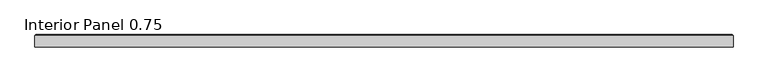
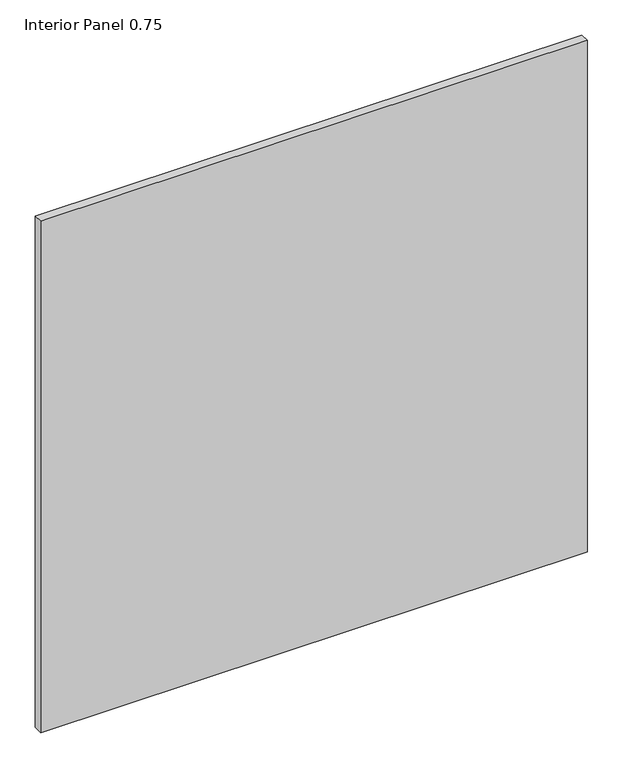
"""IFC4 building model written with IfcOpenShell, lengths in millimetres: proxy geometry, Interior Panel 0.75."""

import ifcopenshell
import ifcopenshell.guid

model = None  # the IFC model being written
_history = None  # IfcOwnerHistory: only IFC2X3 demands one
_inside = {}  # id of a spatial element -> (the spatial element, [elements in it])
_under = {}  # id of a project, library or spatial element -> (it, [spatial elements below it])
_declared = {}  # id of a project -> (the project, [libraries it declares])
_typed = {}  # id of a type object -> (the type object, [elements of that type])
_made_of = {}  # id of a material, layer set ... -> (it, [elements and type objects made of it])


def new_model(schema):
    """Start an empty IFC model of exactly this schema.

    Asked for "IFC4X3", IfcOpenShell would pick the latest addendum, in which some entities
    have other attributes; the version numbers below select the first issue.
    IFC2X3 requires an IfcOwnerHistory on every rooted entity: one is made here for all.
    """
    global model, _history
    if schema == "IFC4X3":
        model = ifcopenshell.file(schema_version=(4, 3, 0, 0))
    else:
        model = ifcopenshell.file(schema=schema)
    _inside.clear()
    _under.clear()
    _declared.clear()
    _typed.clear()
    _made_of.clear()
    _history = None
    if model.schema == "IFC2X3":
        org = make("IfcOrganization", Name="unknown")
        user = make(
            "IfcPersonAndOrganization",
            ThePerson=make("IfcPerson", FamilyName="unknown"),
            TheOrganization=org,
        )
        app = make(
            "IfcApplication",
            ApplicationDeveloper=org,
            Version="unknown",
            ApplicationFullName="unknown",
            ApplicationIdentifier="unknown",
        )
        _history = make(
            "IfcOwnerHistory",
            OwningUser=user,
            OwningApplication=app,
            ChangeAction="ADDED",
            CreationDate=0,
        )
    return model


def make(cls, **values):
    """One entity of the class cls with the attributes given. An attribute that is None is left unset."""
    return model.create_entity(
        cls, **{name: value for name, value in values.items() if value is not None}
    )


def rooted(cls, **values):
    """An entity with a GlobalId (a new one), such as an element, a storey or a relation."""
    return make(cls, GlobalId=ifcopenshell.guid.new(), OwnerHistory=_history, **values)


def si_unit(unit_type, name, prefix=None):
    """IfcSIUnit, for example si_unit("LENGTHUNIT", "METRE", prefix="MILLI")."""
    return make("IfcSIUnit", UnitType=unit_type, Prefix=prefix, Name=name)


def assignment(units):
    """IfcUnitAssignment: the units of a project."""
    return None if units is None else make("IfcUnitAssignment", Units=units)


def point(xyz):
    """IfcCartesianPoint."""
    return None if xyz is None else make("IfcCartesianPoint", Coordinates=xyz)


def direction(xyz):
    """IfcDirection."""
    return None if xyz is None else make("IfcDirection", DirectionRatios=xyz)


def frame(location, z_axis=None, x_axis=None):
    """IfcAxis2Placement3D, a coordinate frame: its origin and axes. An axis left out is left unset."""
    return make(
        "IfcAxis2Placement3D",
        Location=point(location),
        Axis=direction(z_axis),
        RefDirection=direction(x_axis),
    )


def origin():
    """The frame at (0, 0, 0) with its axes left unset."""
    return frame((0.0, 0.0, 0.0))


def place(relative_to, where):
    """IfcLocalPlacement: puts the frame where relative to a parent placement (None: the world)."""
    return make(
        "IfcLocalPlacement", PlacementRelTo=relative_to, RelativePlacement=where
    )


def context(
    kind, dimensions, precision=None, world=None, true_north=None, identifier=None
):
    """IfcGeometricRepresentationContext, for example the 3D "Model" context."""
    return make(
        "IfcGeometricRepresentationContext",
        ContextIdentifier=identifier,
        ContextType=kind,
        CoordinateSpaceDimension=dimensions,
        Precision=precision,
        WorldCoordinateSystem=world,
        TrueNorth=true_north,
    )


def project(units=None, contexts=None):
    """IfcProject with its units and contexts."""
    return rooted(
        "IfcProject",
        Name="project",
        RepresentationContexts=contexts,
        UnitsInContext=assignment(units),
    )


def spatial(cls, under=None, at=None, **own):
    """A site, building, storey or space (cls), placed at a placement, below another one or the project."""
    s = rooted(cls, ObjectPlacement=at, **own)
    if under is not None:
        _under.setdefault(under.id(), (under, []))[1].append(s)
    return s


def faces_of(points, faces, orient=None, outer=None):
    """IfcFace entities. A face is a list of loops; a loop is a list of indices into points, from 0.

    orient and outer hold one flag for each loop. By default every Orientation is true, the
    first loop of a face is its IfcFaceOuterBound and the others are IfcFaceBound.
    """
    made = []
    for i, loops in enumerate(faces):
        bounds = []
        for j, loop in enumerate(loops):
            is_outer = j == 0 if outer is None else outer[i][j]
            bounds.append(
                make(
                    "IfcFaceOuterBound" if is_outer else "IfcFaceBound",
                    Bound=make("IfcPolyLoop", Polygon=[points[k] for k in loop]),
                    Orientation=True if orient is None else orient[i][j],
                )
            )
        made.append(make("IfcFace", Bounds=bounds))
    return made


def faceted_brep(points, faces, orient=None, outer=None, voids=None):
    """IfcFacetedBrep: a solid bounded by flat faces; with voids (closed shells), ...WithVoids."""
    shared = [point(p) for p in points]
    hull = make("IfcClosedShell", CfsFaces=faces_of(shared, faces, orient, outer))
    if voids is None:
        return make("IfcFacetedBrep", Outer=hull)
    return make(
        "IfcFacetedBrepWithVoids",
        Outer=hull,
        Voids=[
            make(cls, CfsFaces=faces_of(shared, fs, o, b)) for cls, fs, o, b in voids
        ],
    )


def shape(context_of_items, identifier, shape_type, items):
    """IfcShapeRepresentation: the items that make up one representation, for example the "Body"."""
    return make(
        "IfcShapeRepresentation",
        ContextOfItems=context_of_items,
        RepresentationIdentifier=identifier,
        RepresentationType=shape_type,
        Items=items,
    )


def source(mapping_origin, context_of_items, identifier, shape_type, items):
    """IfcRepresentationMap: a shape defined once, which mapped items show again and again."""
    return make(
        "IfcRepresentationMap",
        MappingOrigin=mapping_origin,
        MappedRepresentation=shape(context_of_items, identifier, shape_type, items),
    )


def transform(
    local_origin,
    x_axis=None,
    y_axis=None,
    z_axis=None,
    scale=None,
    scale2=None,
    scale3=None,
    uniform=True,
):
    """IfcCartesianTransformationOperator3D, or its non-uniform kind. x_axis, y_axis, z_axis: its Axis1, 2, 3."""
    if uniform:
        return make(
            "IfcCartesianTransformationOperator3D",
            Axis1=direction(x_axis),
            Axis2=direction(y_axis),
            LocalOrigin=point(local_origin),
            Scale=scale,
            Axis3=direction(z_axis),
        )
    return make(
        "IfcCartesianTransformationOperator3DnonUniform",
        Axis1=direction(x_axis),
        Axis2=direction(y_axis),
        LocalOrigin=point(local_origin),
        Scale=scale,
        Axis3=direction(z_axis),
        Scale2=scale2,
        Scale3=scale3,
    )


def mapped(mapping_source, mapping_target):
    """IfcMappedItem: shows the shape of a source again, moved by a transform."""
    return make(
        "IfcMappedItem", MappingSource=mapping_source, MappingTarget=mapping_target
    )


def made_of(thing, what):
    """Note that an element or type object is made of a material, layer set ...; save() writes the relation."""
    if what is not None:
        _made_of.setdefault(what.id(), (what, []))[1].append(thing)
    return thing


def element(
    cls,
    number,
    at=None,
    inside=None,
    cuts=None,
    type_object=None,
    material=None,
    context=None,
    identifier="Body",
    shape_type=None,
    held_by="IfcProductDefinitionShape",
    body=None,
    shapes=None,
    **own,
):
    """One element of the class cls, such as IfcWall. Its Tag is "e" and its number.

    at: its placement. inside: the storey or other place that contains it. cuts: it is an
    opening in that element (IfcRelVoidsElement). A single representation is given by context,
    identifier, shape_type and body (its items); several are given by shapes. held_by: the class
    of the entity that holds the representations. save() writes the other relations.
    """
    e = rooted(cls, Tag="e%d" % number, ObjectPlacement=at, **own)
    if body is not None:
        shapes = [shape(context, identifier, shape_type, body)]
    if shapes is not None:
        e.Representation = make(held_by, Representations=shapes)
    if inside is not None:
        _inside.setdefault(inside.id(), (inside, []))[1].append(e)
    if cuts is not None:
        rooted(
            "IfcRelVoidsElement", RelatingBuildingElement=cuts, RelatedOpeningElement=e
        )
    if type_object is not None:
        _typed.setdefault(type_object.id(), (type_object, []))[1].append(e)
    return made_of(e, material)


def aggregate(whole, parts):
    """IfcRelAggregates: a whole, such as a stair, and the parts it consists of."""
    return rooted("IfcRelAggregates", RelatingObject=whole, RelatedObjects=parts)


def save(model, path):
    """Write the relations noted so far, then the file.

    IfcRelAggregates (storeys below a building ...), IfcRelContainedInSpatialStructure (elements
    in a storey), IfcRelDefinesByType, IfcRelAssociatesMaterial and IfcRelDeclares: one each for
    every whole, place, type object, material and project.
    """
    for whole, parts in _under.values():
        aggregate(whole, parts)
    for where, things in _inside.values():
        rooted(
            "IfcRelContainedInSpatialStructure",
            RelatedElements=things,
            RelatingStructure=where,
        )
    for kind, things in _typed.values():
        rooted("IfcRelDefinesByType", RelatedObjects=things, RelatingType=kind)
    for what, things in _made_of.values():
        rooted("IfcRelAssociatesMaterial", RelatedObjects=things, RelatingMaterial=what)
    for by, libraries in _declared.values():
        rooted("IfcRelDeclares", RelatingContext=by, RelatedDefinitions=libraries)
    model.write(path)


def interior_panel_0_75_5ea1d790(model_context):
    return source(origin(), model_context, "Body", "Brep", [
        faceted_brep([(1001.7125, -3.175, 1063.625), (1001.7125, 14.2875, 1063.625), (-73.025, 14.2875, 1063.625), (-73.025, -3.175, 1063.625), (1001.7125, -3.175, 0.0), (-73.025, -3.175, 0.0), (-73.025, 14.2875, 0.0), (1001.7125, 14.2875, 0.0), (-71.4375, 15.875, 1062.0375), (1000.125, 15.875, 1062.0375), (1000.125, 15.875, 1.5875), (-71.4375, 15.875, 1.5875)], [[[0, 1, 2, 3]], [[4, 5, 6, 7]], [[3, 5, 4, 0]], [[2, 6, 5, 3]], [[8, 9, 10, 11]], [[0, 4, 7, 1]], [[2, 8, 11, 6]], [[7, 10, 9, 1]], [[1, 9, 8, 2]], [[6, 11, 10, 7]]]),
    ])


if __name__ == "__main__":
    model = new_model("IFC4")
    model_context = context("Model", 3, world=origin())
    ifc_project = project(units=[si_unit("LENGTHUNIT", "METRE", prefix="MILLI")], contexts=[model_context])
    site = spatial("IfcSite", under=ifc_project)
    building = spatial("IfcBuilding", under=site)
    placement = place(None, origin())
    interior_panel_0_75_shape = interior_panel_0_75_5ea1d790(model_context)
    element("IfcBuildingElementProxy", 1, Name="Interior Panel 0.75", ObjectType="Interior Panel 0.75", at=placement, inside=building, context=model_context, shape_type="MappedRepresentation", body=[
        mapped(interior_panel_0_75_shape, transform((0.0, 0.0, 0.0), x_axis=(1.0, 0.0, 0.0), y_axis=(0.0, 1.0, 0.0), z_axis=(0.0, 0.0, 1.0))),
    ])
    save(model, "model.ifc")
